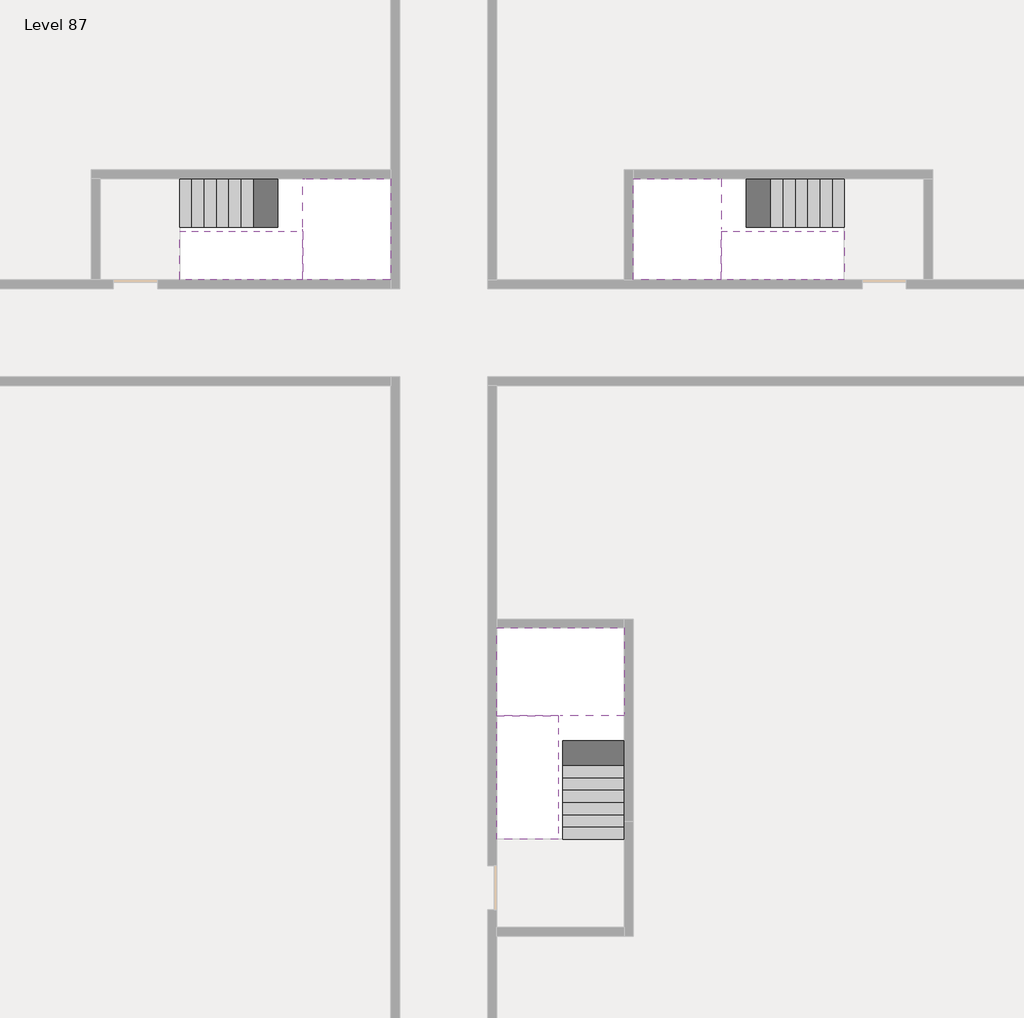
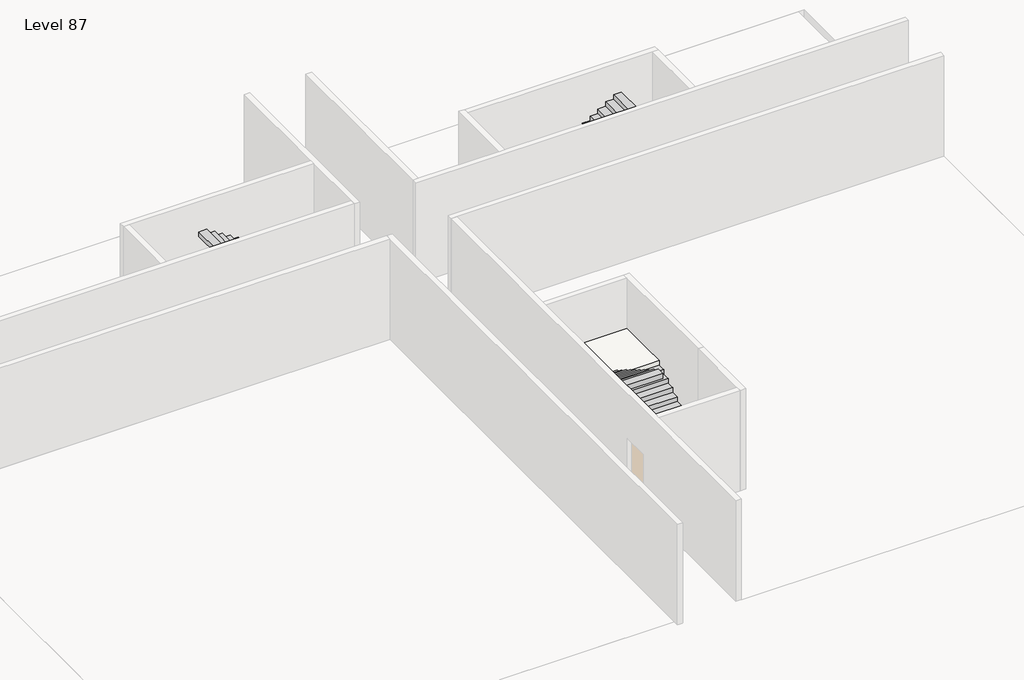
# One storey, part 2 of 2: 6 stair flights, 3 slabs.
"""IFC4 building model written with IfcOpenShell, lengths in millimetres."""

from ifc_helpers import new_model, si_unit, origin, place, context, project, spatial, faceted_brep, element, save

model = new_model("IFC4")

# Units and contexts
model_context = context("Model", 3, world=origin())
ifc_project = project(units=[si_unit("LENGTHUNIT", "METRE", prefix="MILLI")], contexts=[model_context])

# Site, building, storey
site = spatial("IfcSite", under=ifc_project)
building = spatial("IfcBuilding", under=site)
storey = spatial("IfcBuildingStorey", under=building, Name="Level 87", Elevation=326800.0)

# Slabs
placement = place(None, origin())
element("IfcSlab", 1, at=placement, inside=storey, context=model_context, shape_type="Brep", body=[
    faceted_brep([(26890.1058784, -40418.09644, 328700.0), (28290.1058784, -40418.09644, 328700.0), (28290.1058784, -40338.7100038, 328700.0), (28290.1058784, -38418.09644, 328700.0), (25390.1058784, -38418.09644, 328700.0), (25390.1058784, -40217.4828763, 328700.0), (25390.1058784, -40418.09644, 328700.0), (26790.1058784, -40418.09644, 328700.0), (26890.1058784, -40418.09644, 328400.0), (26890.1058784, -40418.09644, 328351.0278478), (28290.1058784, -40418.09644, 328351.0278478), (28290.1058784, -40418.09644, 328527.2727273), (28290.1058784, -40338.7100038, 328400.0), (28290.1058784, -38418.09644, 328400.0), (25390.1058784, -38418.09644, 328400.0), (25390.1058784, -40217.4828763, 328400.0), (25390.1058784, -40418.09644, 328523.7551205), (26790.1058784, -40418.09644, 328523.7551205), (26790.1058784, -40418.09644, 328400.0), (26790.1058784, -40217.4828763, 328400.0), (26890.1058784, -40338.7100038, 328400.0)], [[[0, 1, 2, 3, 4, 5, 6, 7]], [[1, 0, 8, 9, 10, 11]], [[1, 11, 10, 12, 13, 3, 2]], [[4, 3, 13, 14]], [[4, 14, 15, 16, 6, 5]], [[7, 6, 16, 17]], [[0, 7, 17, 18, 8]], [[18, 19, 15, 14, 13, 12, 20, 8]], [[19, 18, 17]], [[20, 12, 10, 9]], [[8, 20, 9]], [[15, 19, 17, 16]]]),
])
element("IfcSlab", 2, at=placement, inside=storey, context=model_context, shape_type="Brep", body=[
    faceted_brep([(20990.1058784, -28218.09644, 328700.0), (20990.1058784, -29318.09644, 328700.0), (20990.1058784, -29418.09644, 328700.0), (20990.1058784, -30518.09644, 328700.0), (21190.7194421, -30518.09644, 328700.0), (22990.1058784, -30518.09644, 328700.0), (22990.1058784, -28218.09644, 328700.0), (21069.4923146, -28218.09644, 328700.0), (20990.1058784, -28218.09644, 328527.2727273), (20990.1058784, -28218.09644, 328351.0278478), (20990.1058784, -29318.09644, 328351.0278478), (20990.1058784, -29318.09644, 328400.0), (20990.1058784, -29418.09644, 328400.0), (20990.1058784, -29418.09644, 328523.7551205), (20990.1058784, -30518.09644, 328523.7551205), (21190.7194421, -30518.09644, 328400.0), (22990.1058784, -30518.09644, 328400.0), (22990.1058784, -28218.09644, 328400.0), (21069.4923146, -28218.09644, 328400.0), (21190.7194421, -29418.09644, 328400.0), (21069.4923146, -29318.09644, 328400.0)], [[[0, 1, 2, 3, 4, 5, 6, 7]], [[1, 0, 8, 9, 10, 11]], [[2, 1, 11, 12, 13]], [[3, 2, 13, 14]], [[3, 14, 15, 16, 5, 4]], [[6, 5, 16, 17]], [[9, 8, 0, 7, 6, 17, 18]], [[19, 12, 11, 20, 18, 17, 16, 15]], [[12, 19, 13]], [[18, 20, 10, 9]], [[20, 11, 10]], [[19, 15, 14, 13]]]),
])
element("IfcSlab", 3, at=placement, inside=storey, context=model_context, shape_type="Brep", body=[
    faceted_brep([(30490.1058784, -29318.09644, 328700.0), (30490.1058784, -28218.09644, 328700.0), (30410.7194421, -28218.09644, 328700.0), (28490.1058784, -28218.09644, 328700.0), (28490.1058784, -30518.09644, 328700.0), (30289.4923146, -30518.09644, 328700.0), (30490.1058784, -30518.09644, 328700.0), (30490.1058784, -29418.09644, 328700.0), (30490.1058784, -29318.09644, 328400.0), (30490.1058784, -29318.09644, 328351.0278478), (30490.1058784, -28218.09644, 328351.0278478), (30490.1058784, -28218.09644, 328527.2727273), (30490.1058784, -29418.09644, 328523.7551205), (30490.1058784, -29418.09644, 328400.0), (30490.1058784, -30518.09644, 328523.7551205), (28490.1058784, -30518.09644, 328400.0), (30289.4923146, -30518.09644, 328400.0), (28490.1058784, -28218.09644, 328400.0), (30410.7194421, -28218.09644, 328400.0), (30289.4923146, -29418.09644, 328400.0), (30410.7194421, -29318.09644, 328400.0)], [[[0, 1, 2, 3, 4, 5, 6, 7]], [[1, 0, 8, 9, 10, 11]], [[0, 7, 12, 13, 8]], [[7, 6, 14, 12]], [[4, 15, 16, 14, 6, 5]], [[4, 3, 17, 15]], [[1, 11, 10, 18, 17, 3, 2]], [[13, 19, 16, 15, 17, 18, 20, 8]], [[20, 18, 10, 9]], [[8, 20, 9]], [[16, 19, 12, 14]], [[19, 13, 12]]]),
])

# Stair flights
element("IfcStairFlight", 4, at=placement, inside=storey, context=model_context, shape_type="Brep", body=[
    faceted_brep([(26890.1058784, -42938.09644, 326972.7272727), (26890.1058784, -43218.09644, 326972.7272727), (28290.1058784, -43218.09644, 326972.7272727), (28290.1058784, -42938.09644, 326972.7272727), (26890.1058784, -42938.09644, 326800.0), (26890.1058784, -43218.09644, 326800.0), (28290.1058784, -43218.09644, 326800.0), (28290.1058784, -42938.09644, 326800.0), (26890.1058784, -42658.09644, 327145.4545455), (26890.1058784, -42938.09644, 327145.4545455), (28290.1058784, -42938.09644, 327145.4545455), (28290.1058784, -42658.09644, 327145.4545455), (26890.1058784, -42658.09644, 326969.209666), (26890.1058784, -42932.3942143, 326800.0), (28290.1058784, -42932.3942143, 326800.0), (28290.1058784, -42658.09644, 326969.209666), (26890.1058784, -42378.09644, 327318.1818182), (26890.1058784, -42658.09644, 327318.1818182), (28290.1058784, -42658.09644, 327318.1818182), (28290.1058784, -42378.09644, 327318.1818182), (26890.1058784, -42378.09644, 327141.9369387), (28290.1058784, -42378.09644, 327141.9369387), (26890.1058784, -42098.09644, 327490.9090909), (26890.1058784, -42378.09644, 327490.9090909), (28290.1058784, -42378.09644, 327490.9090909), (28290.1058784, -42098.09644, 327490.9090909), (26890.1058784, -42098.09644, 327314.6642114), (28290.1058784, -42098.09644, 327314.6642114), (26890.1058784, -41818.09644, 327663.6363636), (26890.1058784, -42098.09644, 327663.6363636), (28290.1058784, -42098.09644, 327663.6363636), (28290.1058784, -41818.09644, 327663.6363636), (26890.1058784, -41818.09644, 327487.3914841), (28290.1058784, -41818.09644, 327487.3914841), (26890.1058784, -41538.09644, 327836.3636364), (26890.1058784, -41818.09644, 327836.3636364), (28290.1058784, -41818.09644, 327836.3636364), (28290.1058784, -41538.09644, 327836.3636364), (26890.1058784, -41538.09644, 327660.1187569), (28290.1058784, -41538.09644, 327660.1187569), (26890.1058784, -41258.09644, 328009.0909091), (26890.1058784, -41538.09644, 328009.0909091), (28290.1058784, -41538.09644, 328009.0909091), (28290.1058784, -41258.09644, 328009.0909091), (26890.1058784, -41258.09644, 327832.8460296), (28290.1058784, -41258.09644, 327832.8460296), (26890.1058784, -40978.09644, 328181.8181818), (26890.1058784, -41258.09644, 328181.8181818), (28290.1058784, -41258.09644, 328181.8181818), (28290.1058784, -40978.09644, 328181.8181818), (26890.1058784, -40978.09644, 328005.5733023), (28290.1058784, -40978.09644, 328005.5733023), (26890.1058784, -40698.09644, 328354.5454545), (26890.1058784, -40978.09644, 328354.5454545), (28290.1058784, -40978.09644, 328354.5454545), (28290.1058784, -40698.09644, 328354.5454545), (26890.1058784, -40698.09644, 328178.3005751), (28290.1058784, -40698.09644, 328178.3005751), (26890.1058784, -40418.09644, 328527.2727273), (26890.1058784, -40698.09644, 328527.2727273), (28290.1058784, -40698.09644, 328527.2727273), (28290.1058784, -40418.09644, 328527.2727273), (26890.1058784, -40418.09644, 328400.0), (26890.1058784, -40418.09644, 328351.0278478), (28290.1058784, -40418.09644, 328351.0278478)], [[[0, 1, 2, 3]], [[1, 0, 4, 5]], [[2, 1, 5, 6]], [[3, 2, 6, 7]], [[8, 9, 10, 11]], [[4, 0, 9, 8, 12, 13]], [[0, 3, 10, 9]], [[3, 7, 14, 15, 11, 10]], [[16, 17, 18, 19]], [[17, 16, 20, 12, 8]], [[8, 11, 18, 17]], [[19, 18, 11, 15, 21]], [[22, 23, 24, 25]], [[23, 22, 26, 20, 16]], [[16, 19, 24, 23]], [[25, 24, 19, 21, 27]], [[28, 29, 30, 31]], [[29, 28, 32, 26, 22]], [[22, 25, 30, 29]], [[31, 30, 25, 27, 33]], [[34, 35, 36, 37]], [[35, 34, 38, 32, 28]], [[28, 31, 36, 35]], [[37, 36, 31, 33, 39]], [[40, 41, 42, 43]], [[41, 40, 44, 38, 34]], [[34, 37, 42, 41]], [[43, 42, 37, 39, 45]], [[46, 47, 48, 49]], [[47, 46, 50, 44, 40]], [[40, 43, 48, 47]], [[49, 48, 43, 45, 51]], [[52, 53, 54, 55]], [[53, 52, 56, 50, 46]], [[46, 49, 54, 53]], [[55, 54, 49, 51, 57]], [[58, 59, 60, 61]], [[59, 58, 62, 63, 56, 52]], [[52, 55, 60, 59]], [[61, 60, 55, 57, 64]], [[58, 61, 64, 63, 62]], [[5, 4, 13, 14, 7, 6]], [[14, 13, 12, 20, 26, 32, 38, 44, 50, 56, 63, 64, 57, 51, 45, 39, 33, 27, 21, 15]]]),
])
element("IfcStairFlight", 5, at=placement, inside=storey, context=model_context, shape_type="Brep", body=[
    faceted_brep([(26790.1058784, -40698.09644, 328872.7272727), (26790.1058784, -40418.09644, 328872.7272727), (25390.1058784, -40418.09644, 328872.7272727), (25390.1058784, -40698.09644, 328872.7272727), (26790.1058784, -40698.09644, 328696.4823932), (26790.1058784, -40418.09644, 328523.7551205), (25390.1058784, -40418.09644, 328523.7551205), (25390.1058784, -40418.09644, 328700.0), (25390.1058784, -40698.09644, 328696.4823932), (26790.1058784, -40978.09644, 329045.4545455), (26790.1058784, -40698.09644, 329045.4545455), (25390.1058784, -40698.09644, 329045.4545455), (25390.1058784, -40978.09644, 329045.4545455), (26790.1058784, -40978.09644, 328869.209666), (25390.1058784, -40978.09644, 328869.209666), (26790.1058784, -41258.09644, 329218.1818182), (26790.1058784, -40978.09644, 329218.1818182), (25390.1058784, -40978.09644, 329218.1818182), (25390.1058784, -41258.09644, 329218.1818182), (26790.1058784, -41258.09644, 329041.9369387), (25390.1058784, -41258.09644, 329041.9369387), (26790.1058784, -41538.09644, 329390.9090909), (26790.1058784, -41258.09644, 329390.9090909), (25390.1058784, -41258.09644, 329390.9090909), (25390.1058784, -41538.09644, 329390.9090909), (26790.1058784, -41538.09644, 329214.6642114), (25390.1058784, -41538.09644, 329214.6642114), (26790.1058784, -41818.09644, 329563.6363636), (26790.1058784, -41538.09644, 329563.6363636), (25390.1058784, -41538.09644, 329563.6363636), (25390.1058784, -41818.09644, 329563.6363636), (26790.1058784, -41818.09644, 329387.3914841), (25390.1058784, -41818.09644, 329387.3914841), (26790.1058784, -42098.09644, 329736.3636364), (26790.1058784, -41818.09644, 329736.3636364), (25390.1058784, -41818.09644, 329736.3636364), (25390.1058784, -42098.09644, 329736.3636364), (26790.1058784, -42098.09644, 329560.1187569), (25390.1058784, -42098.09644, 329560.1187569), (26790.1058784, -42378.09644, 329909.0909091), (26790.1058784, -42098.09644, 329909.0909091), (25390.1058784, -42098.09644, 329909.0909091), (25390.1058784, -42378.09644, 329909.0909091), (26790.1058784, -42378.09644, 329732.8460296), (25390.1058784, -42378.09644, 329732.8460296), (26790.1058784, -42658.09644, 330081.8181818), (26790.1058784, -42378.09644, 330081.8181818), (25390.1058784, -42378.09644, 330081.8181818), (25390.1058784, -42658.09644, 330081.8181818), (26790.1058784, -42658.09644, 329905.5733023), (25390.1058784, -42658.09644, 329905.5733023), (26790.1058784, -42938.09644, 330254.5454545), (26790.1058784, -42658.09644, 330254.5454545), (25390.1058784, -42658.09644, 330254.5454545), (25390.1058784, -42938.09644, 330254.5454545), (26790.1058784, -42938.09644, 330078.3005751), (25390.1058784, -42938.09644, 330078.3005751), (26790.1058784, -43218.09644, 330427.2727273), (26790.1058784, -42938.09644, 330427.2727273), (25390.1058784, -42938.09644, 330427.2727273), (25390.1058784, -43218.09644, 330427.2727273), (26790.1058784, -43218.09644, 330251.0278478), (25390.1058784, -43218.09644, 330251.0278478)], [[[0, 1, 2, 3]], [[1, 0, 4, 5]], [[2, 1, 5, 6, 7]], [[3, 2, 7, 6, 8]], [[9, 10, 11, 12]], [[10, 9, 13, 4, 0]], [[11, 10, 0, 3]], [[12, 11, 3, 8, 14]], [[15, 16, 17, 18]], [[16, 15, 19, 13, 9]], [[17, 16, 9, 12]], [[18, 17, 12, 14, 20]], [[21, 22, 23, 24]], [[22, 21, 25, 19, 15]], [[23, 22, 15, 18]], [[24, 23, 18, 20, 26]], [[27, 28, 29, 30]], [[28, 27, 31, 25, 21]], [[29, 28, 21, 24]], [[30, 29, 24, 26, 32]], [[33, 34, 35, 36]], [[34, 33, 37, 31, 27]], [[35, 34, 27, 30]], [[36, 35, 30, 32, 38]], [[39, 40, 41, 42]], [[40, 39, 43, 37, 33]], [[41, 40, 33, 36]], [[42, 41, 36, 38, 44]], [[45, 46, 47, 48]], [[46, 45, 49, 43, 39]], [[47, 46, 39, 42]], [[48, 47, 42, 44, 50]], [[51, 52, 53, 54]], [[52, 51, 55, 49, 45]], [[53, 52, 45, 48]], [[54, 53, 48, 50, 56]], [[57, 58, 59, 60]], [[58, 57, 61, 55, 51]], [[59, 58, 51, 54]], [[60, 59, 54, 56, 62]], [[57, 60, 62, 61]], [[5, 4, 13, 19, 25, 31, 37, 43, 49, 55, 61, 62, 56, 50, 44, 38, 32, 26, 20, 14, 8, 6]]]),
])
element("IfcStairFlight", 6, at=placement, inside=storey, context=model_context, shape_type="Brep", body=[
    faceted_brep([(18470.1058784, -28218.09644, 326972.7272727), (18190.1058784, -28218.09644, 326972.7272727), (18190.1058784, -29318.09644, 326972.7272727), (18470.1058784, -29318.09644, 326972.7272727), (18470.1058784, -28218.09644, 326800.0), (18190.1058784, -28218.09644, 326800.0), (18190.1058784, -29318.09644, 326800.0), (18470.1058784, -29318.09644, 326800.0), (18750.1058784, -28218.09644, 327145.4545455), (18470.1058784, -28218.09644, 327145.4545455), (18470.1058784, -29318.09644, 327145.4545455), (18750.1058784, -29318.09644, 327145.4545455), (18750.1058784, -28218.09644, 326969.209666), (18475.8081041, -28218.09644, 326800.0), (18475.8081041, -29318.09644, 326800.0), (18750.1058784, -29318.09644, 326969.209666), (19030.1058784, -28218.09644, 327318.1818182), (18750.1058784, -28218.09644, 327318.1818182), (18750.1058784, -29318.09644, 327318.1818182), (19030.1058784, -29318.09644, 327318.1818182), (19030.1058784, -28218.09644, 327141.9369387), (19030.1058784, -29318.09644, 327141.9369387), (19310.1058784, -28218.09644, 327490.9090909), (19030.1058784, -28218.09644, 327490.9090909), (19030.1058784, -29318.09644, 327490.9090909), (19310.1058784, -29318.09644, 327490.9090909), (19310.1058784, -28218.09644, 327314.6642114), (19310.1058784, -29318.09644, 327314.6642114), (19590.1058784, -28218.09644, 327663.6363636), (19310.1058784, -28218.09644, 327663.6363636), (19310.1058784, -29318.09644, 327663.6363636), (19590.1058784, -29318.09644, 327663.6363636), (19590.1058784, -28218.09644, 327487.3914841), (19590.1058784, -29318.09644, 327487.3914841), (19870.1058784, -28218.09644, 327836.3636364), (19590.1058784, -28218.09644, 327836.3636364), (19590.1058784, -29318.09644, 327836.3636364), (19870.1058784, -29318.09644, 327836.3636364), (19870.1058784, -28218.09644, 327660.1187569), (19870.1058784, -29318.09644, 327660.1187569), (20150.1058784, -28218.09644, 328009.0909091), (19870.1058784, -28218.09644, 328009.0909091), (19870.1058784, -29318.09644, 328009.0909091), (20150.1058784, -29318.09644, 328009.0909091), (20150.1058784, -28218.09644, 327832.8460296), (20150.1058784, -29318.09644, 327832.8460296), (20430.1058784, -28218.09644, 328181.8181818), (20150.1058784, -28218.09644, 328181.8181818), (20150.1058784, -29318.09644, 328181.8181818), (20430.1058784, -29318.09644, 328181.8181818), (20430.1058784, -28218.09644, 328005.5733023), (20430.1058784, -29318.09644, 328005.5733023), (20710.1058784, -28218.09644, 328354.5454545), (20430.1058784, -28218.09644, 328354.5454545), (20430.1058784, -29318.09644, 328354.5454545), (20710.1058784, -29318.09644, 328354.5454545), (20710.1058784, -28218.09644, 328178.3005751), (20710.1058784, -29318.09644, 328178.3005751), (20990.1058784, -28218.09644, 328527.2727273), (20710.1058784, -28218.09644, 328527.2727273), (20710.1058784, -29318.09644, 328527.2727273), (20990.1058784, -29318.09644, 328527.2727273), (20990.1058784, -28218.09644, 328351.0278478), (20990.1058784, -29318.09644, 328351.0278478), (20990.1058784, -29318.09644, 328400.0)], [[[0, 1, 2, 3]], [[1, 0, 4, 5]], [[2, 1, 5, 6]], [[3, 2, 6, 7]], [[8, 9, 10, 11]], [[4, 0, 9, 8, 12, 13]], [[0, 3, 10, 9]], [[3, 7, 14, 15, 11, 10]], [[16, 17, 18, 19]], [[17, 16, 20, 12, 8]], [[8, 11, 18, 17]], [[19, 18, 11, 15, 21]], [[22, 23, 24, 25]], [[23, 22, 26, 20, 16]], [[16, 19, 24, 23]], [[25, 24, 19, 21, 27]], [[28, 29, 30, 31]], [[29, 28, 32, 26, 22]], [[22, 25, 30, 29]], [[31, 30, 25, 27, 33]], [[34, 35, 36, 37]], [[35, 34, 38, 32, 28]], [[28, 31, 36, 35]], [[37, 36, 31, 33, 39]], [[40, 41, 42, 43]], [[41, 40, 44, 38, 34]], [[34, 37, 42, 41]], [[43, 42, 37, 39, 45]], [[46, 47, 48, 49]], [[47, 46, 50, 44, 40]], [[40, 43, 48, 47]], [[49, 48, 43, 45, 51]], [[52, 53, 54, 55]], [[53, 52, 56, 50, 46]], [[46, 49, 54, 53]], [[55, 54, 49, 51, 57]], [[58, 59, 60, 61]], [[59, 58, 62, 56, 52]], [[52, 55, 60, 59]], [[61, 60, 55, 57, 63, 64]], [[58, 61, 64, 63, 62]], [[5, 4, 13, 14, 7, 6]], [[14, 13, 12, 20, 26, 32, 38, 44, 50, 56, 62, 63, 57, 51, 45, 39, 33, 27, 21, 15]]]),
])
element("IfcStairFlight", 7, at=placement, inside=storey, context=model_context, shape_type="Brep", body=[
    faceted_brep([(20710.1058784, -30518.09644, 328872.7272727), (20990.1058784, -30518.09644, 328872.7272727), (20990.1058784, -29418.09644, 328872.7272727), (20710.1058784, -29418.09644, 328872.7272727), (20710.1058784, -30518.09644, 328696.4823932), (20990.1058784, -30518.09644, 328523.7551205), (20990.1058784, -30518.09644, 328700.0), (20990.1058784, -29418.09644, 328523.7551205), (20710.1058784, -29418.09644, 328696.4823932), (20430.1058784, -30518.09644, 329045.4545455), (20710.1058784, -30518.09644, 329045.4545455), (20710.1058784, -29418.09644, 329045.4545455), (20430.1058784, -29418.09644, 329045.4545455), (20430.1058784, -30518.09644, 328869.209666), (20430.1058784, -29418.09644, 328869.209666), (20150.1058784, -30518.09644, 329218.1818182), (20430.1058784, -30518.09644, 329218.1818182), (20430.1058784, -29418.09644, 329218.1818182), (20150.1058784, -29418.09644, 329218.1818182), (20150.1058784, -30518.09644, 329041.9369387), (20150.1058784, -29418.09644, 329041.9369387), (19870.1058784, -30518.09644, 329390.9090909), (20150.1058784, -30518.09644, 329390.9090909), (20150.1058784, -29418.09644, 329390.9090909), (19870.1058784, -29418.09644, 329390.9090909), (19870.1058784, -30518.09644, 329214.6642114), (19870.1058784, -29418.09644, 329214.6642114), (19590.1058784, -30518.09644, 329563.6363636), (19870.1058784, -30518.09644, 329563.6363636), (19870.1058784, -29418.09644, 329563.6363636), (19590.1058784, -29418.09644, 329563.6363636), (19590.1058784, -30518.09644, 329387.3914841), (19590.1058784, -29418.09644, 329387.3914841), (19310.1058784, -30518.09644, 329736.3636364), (19590.1058784, -30518.09644, 329736.3636364), (19590.1058784, -29418.09644, 329736.3636364), (19310.1058784, -29418.09644, 329736.3636364), (19310.1058784, -30518.09644, 329560.1187569), (19310.1058784, -29418.09644, 329560.1187569), (19030.1058784, -30518.09644, 329909.0909091), (19310.1058784, -30518.09644, 329909.0909091), (19310.1058784, -29418.09644, 329909.0909091), (19030.1058784, -29418.09644, 329909.0909091), (19030.1058784, -30518.09644, 329732.8460296), (19030.1058784, -29418.09644, 329732.8460296), (18750.1058784, -30518.09644, 330081.8181818), (19030.1058784, -30518.09644, 330081.8181818), (19030.1058784, -29418.09644, 330081.8181818), (18750.1058784, -29418.09644, 330081.8181818), (18750.1058784, -30518.09644, 329905.5733023), (18750.1058784, -29418.09644, 329905.5733023), (18470.1058784, -30518.09644, 330254.5454545), (18750.1058784, -30518.09644, 330254.5454545), (18750.1058784, -29418.09644, 330254.5454545), (18470.1058784, -29418.09644, 330254.5454545), (18470.1058784, -30518.09644, 330078.3005751), (18470.1058784, -29418.09644, 330078.3005751), (18190.1058784, -30518.09644, 330427.2727273), (18470.1058784, -30518.09644, 330427.2727273), (18470.1058784, -29418.09644, 330427.2727273), (18190.1058784, -29418.09644, 330427.2727273), (18190.1058784, -30518.09644, 330251.0278478), (18190.1058784, -29418.09644, 330251.0278478)], [[[0, 1, 2, 3]], [[1, 0, 4, 5, 6]], [[2, 1, 6, 5, 7]], [[3, 2, 7, 8]], [[9, 10, 11, 12]], [[10, 9, 13, 4, 0]], [[11, 10, 0, 3]], [[12, 11, 3, 8, 14]], [[15, 16, 17, 18]], [[16, 15, 19, 13, 9]], [[17, 16, 9, 12]], [[18, 17, 12, 14, 20]], [[21, 22, 23, 24]], [[22, 21, 25, 19, 15]], [[23, 22, 15, 18]], [[24, 23, 18, 20, 26]], [[27, 28, 29, 30]], [[28, 27, 31, 25, 21]], [[29, 28, 21, 24]], [[30, 29, 24, 26, 32]], [[33, 34, 35, 36]], [[34, 33, 37, 31, 27]], [[35, 34, 27, 30]], [[36, 35, 30, 32, 38]], [[39, 40, 41, 42]], [[40, 39, 43, 37, 33]], [[41, 40, 33, 36]], [[42, 41, 36, 38, 44]], [[45, 46, 47, 48]], [[46, 45, 49, 43, 39]], [[47, 46, 39, 42]], [[48, 47, 42, 44, 50]], [[51, 52, 53, 54]], [[52, 51, 55, 49, 45]], [[53, 52, 45, 48]], [[54, 53, 48, 50, 56]], [[57, 58, 59, 60]], [[58, 57, 61, 55, 51]], [[59, 58, 51, 54]], [[60, 59, 54, 56, 62]], [[57, 60, 62, 61]], [[5, 4, 13, 19, 25, 31, 37, 43, 49, 55, 61, 62, 56, 50, 44, 38, 32, 26, 20, 14, 8, 7]]]),
])
element("IfcStairFlight", 8, at=placement, inside=storey, context=model_context, shape_type="Brep", body=[
    faceted_brep([(33010.1058784, -29318.09644, 326972.7272727), (33290.1058784, -29318.09644, 326972.7272727), (33290.1058784, -28218.09644, 326972.7272727), (33010.1058784, -28218.09644, 326972.7272727), (33290.1058784, -28218.09644, 326800.0), (33010.1058784, -28218.09644, 326800.0), (33290.1058784, -29318.09644, 326800.0), (33010.1058784, -29318.09644, 326800.0), (32730.1058784, -29318.09644, 327145.4545455), (33010.1058784, -29318.09644, 327145.4545455), (33010.1058784, -28218.09644, 327145.4545455), (32730.1058784, -28218.09644, 327145.4545455), (33004.4036527, -28218.09644, 326800.0), (32730.1058784, -28218.09644, 326969.209666), (32730.1058784, -29318.09644, 326969.209666), (33004.4036527, -29318.09644, 326800.0), (32450.1058784, -29318.09644, 327318.1818182), (32730.1058784, -29318.09644, 327318.1818182), (32730.1058784, -28218.09644, 327318.1818182), (32450.1058784, -28218.09644, 327318.1818182), (32450.1058784, -28218.09644, 327141.9369387), (32450.1058784, -29318.09644, 327141.9369387), (32170.1058784, -29318.09644, 327490.9090909), (32450.1058784, -29318.09644, 327490.9090909), (32450.1058784, -28218.09644, 327490.9090909), (32170.1058784, -28218.09644, 327490.9090909), (32170.1058784, -28218.09644, 327314.6642114), (32170.1058784, -29318.09644, 327314.6642114), (31890.1058784, -29318.09644, 327663.6363636), (32170.1058784, -29318.09644, 327663.6363636), (32170.1058784, -28218.09644, 327663.6363636), (31890.1058784, -28218.09644, 327663.6363636), (31890.1058784, -28218.09644, 327487.3914841), (31890.1058784, -29318.09644, 327487.3914841), (31610.1058784, -29318.09644, 327836.3636364), (31890.1058784, -29318.09644, 327836.3636364), (31890.1058784, -28218.09644, 327836.3636364), (31610.1058784, -28218.09644, 327836.3636364), (31610.1058784, -28218.09644, 327660.1187569), (31610.1058784, -29318.09644, 327660.1187569), (31330.1058784, -29318.09644, 328009.0909091), (31610.1058784, -29318.09644, 328009.0909091), (31610.1058784, -28218.09644, 328009.0909091), (31330.1058784, -28218.09644, 328009.0909091), (31330.1058784, -28218.09644, 327832.8460296), (31330.1058784, -29318.09644, 327832.8460296), (31050.1058784, -29318.09644, 328181.8181818), (31330.1058784, -29318.09644, 328181.8181818), (31330.1058784, -28218.09644, 328181.8181818), (31050.1058784, -28218.09644, 328181.8181818), (31050.1058784, -28218.09644, 328005.5733023), (31050.1058784, -29318.09644, 328005.5733023), (30770.1058784, -29318.09644, 328354.5454545), (31050.1058784, -29318.09644, 328354.5454545), (31050.1058784, -28218.09644, 328354.5454545), (30770.1058784, -28218.09644, 328354.5454545), (30770.1058784, -28218.09644, 328178.3005751), (30770.1058784, -29318.09644, 328178.3005751), (30490.1058784, -29318.09644, 328527.2727273), (30770.1058784, -29318.09644, 328527.2727273), (30770.1058784, -28218.09644, 328527.2727273), (30490.1058784, -28218.09644, 328527.2727273), (30490.1058784, -28218.09644, 328351.0278478), (30490.1058784, -29318.09644, 328400.0), (30490.1058784, -29318.09644, 328351.0278478)], [[[0, 1, 2, 3]], [[3, 2, 4, 5]], [[2, 1, 6, 4]], [[1, 0, 7, 6]], [[8, 9, 10, 11]], [[3, 5, 12, 13, 11, 10]], [[0, 3, 10, 9]], [[7, 0, 9, 8, 14, 15]], [[16, 17, 18, 19]], [[19, 18, 11, 13, 20]], [[8, 11, 18, 17]], [[17, 16, 21, 14, 8]], [[22, 23, 24, 25]], [[25, 24, 19, 20, 26]], [[16, 19, 24, 23]], [[23, 22, 27, 21, 16]], [[28, 29, 30, 31]], [[31, 30, 25, 26, 32]], [[22, 25, 30, 29]], [[29, 28, 33, 27, 22]], [[34, 35, 36, 37]], [[37, 36, 31, 32, 38]], [[28, 31, 36, 35]], [[35, 34, 39, 33, 28]], [[40, 41, 42, 43]], [[43, 42, 37, 38, 44]], [[34, 37, 42, 41]], [[41, 40, 45, 39, 34]], [[46, 47, 48, 49]], [[49, 48, 43, 44, 50]], [[40, 43, 48, 47]], [[47, 46, 51, 45, 40]], [[52, 53, 54, 55]], [[55, 54, 49, 50, 56]], [[46, 49, 54, 53]], [[53, 52, 57, 51, 46]], [[58, 59, 60, 61]], [[61, 60, 55, 56, 62]], [[52, 55, 60, 59]], [[59, 58, 63, 64, 57, 52]], [[58, 61, 62, 64, 63]], [[6, 7, 15, 12, 5, 4]], [[12, 15, 14, 21, 27, 33, 39, 45, 51, 57, 64, 62, 56, 50, 44, 38, 32, 26, 20, 13]]]),
])
element("IfcStairFlight", 9, at=placement, inside=storey, context=model_context, shape_type="Brep", body=[
    faceted_brep([(30770.1058784, -29418.09644, 328872.7272727), (30490.1058784, -29418.09644, 328872.7272727), (30490.1058784, -30518.09644, 328872.7272727), (30770.1058784, -30518.09644, 328872.7272727), (30490.1058784, -30518.09644, 328700.0), (30490.1058784, -30518.09644, 328523.7551205), (30770.1058784, -30518.09644, 328696.4823932), (30490.1058784, -29418.09644, 328523.7551205), (30770.1058784, -29418.09644, 328696.4823932), (31050.1058784, -29418.09644, 329045.4545455), (30770.1058784, -29418.09644, 329045.4545455), (30770.1058784, -30518.09644, 329045.4545455), (31050.1058784, -30518.09644, 329045.4545455), (31050.1058784, -30518.09644, 328869.209666), (31050.1058784, -29418.09644, 328869.209666), (31330.1058784, -29418.09644, 329218.1818182), (31050.1058784, -29418.09644, 329218.1818182), (31050.1058784, -30518.09644, 329218.1818182), (31330.1058784, -30518.09644, 329218.1818182), (31330.1058784, -30518.09644, 329041.9369387), (31330.1058784, -29418.09644, 329041.9369387), (31610.1058784, -29418.09644, 329390.9090909), (31330.1058784, -29418.09644, 329390.9090909), (31330.1058784, -30518.09644, 329390.9090909), (31610.1058784, -30518.09644, 329390.9090909), (31610.1058784, -30518.09644, 329214.6642114), (31610.1058784, -29418.09644, 329214.6642114), (31890.1058784, -29418.09644, 329563.6363636), (31610.1058784, -29418.09644, 329563.6363636), (31610.1058784, -30518.09644, 329563.6363636), (31890.1058784, -30518.09644, 329563.6363636), (31890.1058784, -30518.09644, 329387.3914841), (31890.1058784, -29418.09644, 329387.3914841), (32170.1058784, -29418.09644, 329736.3636364), (31890.1058784, -29418.09644, 329736.3636364), (31890.1058784, -30518.09644, 329736.3636364), (32170.1058784, -30518.09644, 329736.3636364), (32170.1058784, -30518.09644, 329560.1187569), (32170.1058784, -29418.09644, 329560.1187569), (32450.1058784, -29418.09644, 329909.0909091), (32170.1058784, -29418.09644, 329909.0909091), (32170.1058784, -30518.09644, 329909.0909091), (32450.1058784, -30518.09644, 329909.0909091), (32450.1058784, -30518.09644, 329732.8460296), (32450.1058784, -29418.09644, 329732.8460296), (32730.1058784, -29418.09644, 330081.8181818), (32450.1058784, -29418.09644, 330081.8181818), (32450.1058784, -30518.09644, 330081.8181818), (32730.1058784, -30518.09644, 330081.8181818), (32730.1058784, -30518.09644, 329905.5733023), (32730.1058784, -29418.09644, 329905.5733023), (33010.1058784, -29418.09644, 330254.5454545), (32730.1058784, -29418.09644, 330254.5454545), (32730.1058784, -30518.09644, 330254.5454545), (33010.1058784, -30518.09644, 330254.5454545), (33010.1058784, -30518.09644, 330078.3005751), (33010.1058784, -29418.09644, 330078.3005751), (33290.1058784, -29418.09644, 330427.2727273), (33010.1058784, -29418.09644, 330427.2727273), (33010.1058784, -30518.09644, 330427.2727273), (33290.1058784, -30518.09644, 330427.2727273), (33290.1058784, -30518.09644, 330251.0278478), (33290.1058784, -29418.09644, 330251.0278478)], [[[0, 1, 2, 3]], [[3, 2, 4, 5, 6]], [[2, 1, 7, 5, 4]], [[1, 0, 8, 7]], [[9, 10, 11, 12]], [[12, 11, 3, 6, 13]], [[11, 10, 0, 3]], [[10, 9, 14, 8, 0]], [[15, 16, 17, 18]], [[18, 17, 12, 13, 19]], [[17, 16, 9, 12]], [[16, 15, 20, 14, 9]], [[21, 22, 23, 24]], [[24, 23, 18, 19, 25]], [[23, 22, 15, 18]], [[22, 21, 26, 20, 15]], [[27, 28, 29, 30]], [[30, 29, 24, 25, 31]], [[29, 28, 21, 24]], [[28, 27, 32, 26, 21]], [[33, 34, 35, 36]], [[36, 35, 30, 31, 37]], [[35, 34, 27, 30]], [[34, 33, 38, 32, 27]], [[39, 40, 41, 42]], [[42, 41, 36, 37, 43]], [[41, 40, 33, 36]], [[40, 39, 44, 38, 33]], [[45, 46, 47, 48]], [[48, 47, 42, 43, 49]], [[47, 46, 39, 42]], [[46, 45, 50, 44, 39]], [[51, 52, 53, 54]], [[54, 53, 48, 49, 55]], [[53, 52, 45, 48]], [[52, 51, 56, 50, 45]], [[57, 58, 59, 60]], [[60, 59, 54, 55, 61]], [[59, 58, 51, 54]], [[58, 57, 62, 56, 51]], [[57, 60, 61, 62]], [[7, 8, 14, 20, 26, 32, 38, 44, 50, 56, 62, 61, 55, 49, 43, 37, 31, 25, 19, 13, 6, 5]]]),
])

save(model, "model.ifc")
